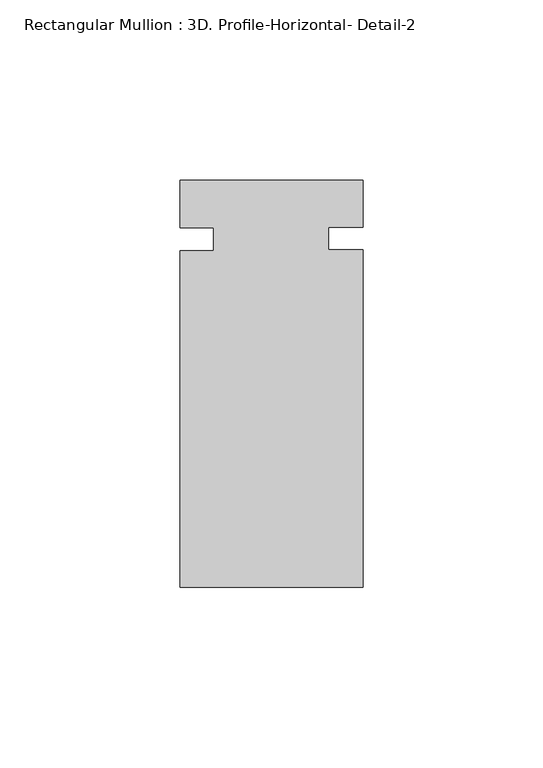
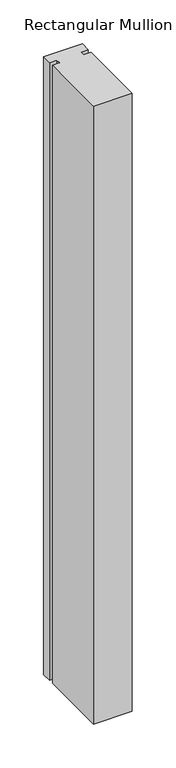
"""IFC4 building model written with IfcOpenShell, lengths in millimetres: member geometry, Rectangular Mullion : 3D. Profile-Horizontal- Detail-2."""

from ifc_helpers import new_model, si_unit, frame, origin, place, context, project, spatial, polyline, outline, extrude, source, transform, mapped, element, save


def rectangular_mullion_3d_profile_horizontal_detail_2_560f1c3f(model_context):
    return source(origin(), model_context, "Body", "SweptSolid", [
        extrude(outline(polyline([(25.4, -39.2826875), (-25.4, -39.2826875), (-25.4, 54.211545), (-16.0655, 54.211545), (-16.0655, 60.561545), (-25.4, 60.561545), (-25.4, 73.7981125), (25.4, 73.7981125), (25.4, 60.7351778), (15.875, 60.7351778), (15.875, 54.3975801), (25.4, 54.3975801), (25.4, -39.2826875)])), frame((0.0, 0.0, -857.8232521), z_axis=(0.0, 0.0, 1.0), x_axis=(1.0, 0.0, 0.0)), (0.0, 0.0, 1.0), 857.8232521),
    ])


if __name__ == "__main__":
    model = new_model("IFC4")
    model_context = context("Model", 3, world=origin())
    ifc_project = project(units=[si_unit("LENGTHUNIT", "METRE", prefix="MILLI")], contexts=[model_context])
    site = spatial("IfcSite", under=ifc_project)
    building = spatial("IfcBuilding", under=site)
    placement = place(None, origin())
    rectangular_mullion_3d_profile_horizontal_detail_2_shape = rectangular_mullion_3d_profile_horizontal_detail_2_560f1c3f(model_context)
    element("IfcMember", 1, ObjectType="Rectangular Mullion : 3D. Profile-Horizontal- Detail-2", at=placement, inside=building, context=model_context, shape_type="MappedRepresentation", body=[
        mapped(rectangular_mullion_3d_profile_horizontal_detail_2_shape, transform((0.0, 0.0, 0.0), x_axis=(1.0, 0.0, 0.0), y_axis=(0.0, 1.0, 0.0), z_axis=(0.0, 0.0, 1.0))),
    ])
    save(model, "model.ifc")
